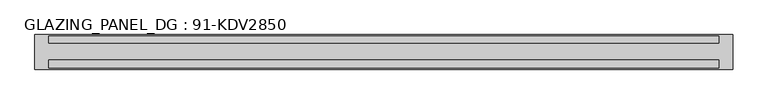
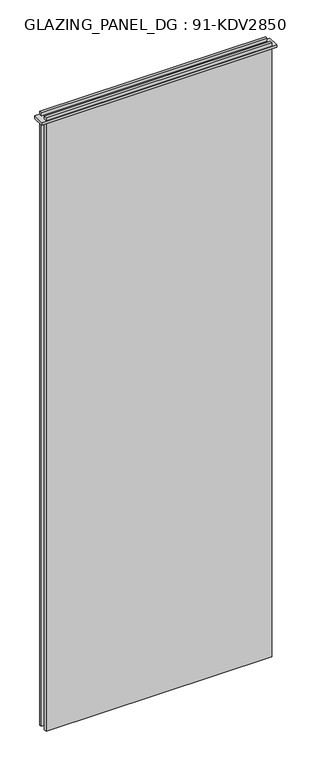
"""IFC4 building model written with IfcOpenShell, lengths in millimetres: plate geometry, GLAZING_PANEL_DG : 91-KDV2850."""

from ifc_helpers import new_model, si_unit, frame, origin, place, context, project, spatial, polyline, outline, extrude, source, transform, mapped, element, save


def glazing_panel_dg_91_kdv2850_931a37af(model_context):
    return source(origin(), model_context, "Body", "SweptSolid", [
        extrude(outline(polyline([(480.0, 23.0), (480.0, 13.0), (-480.0, 13.0), (-480.0, 23.0), (480.0, 23.0)])), frame((0.0, 0.0, -12.0), z_axis=(0.0, 0.0, 1.0), x_axis=(1.0, 0.0, 0.0)), (0.0, 0.0, 1.0), 2760.0),
        extrude(outline(polyline([(480.0, -11.0), (480.0, -23.0), (-480.0, -23.0), (-480.0, -11.0), (480.0, -11.0)])), frame((0.0, 0.0, -12.0), z_axis=(0.0, 0.0, 1.0), x_axis=(1.0, 0.0, 0.0)), (0.0, 0.0, 1.0), 2760.0),
        extrude(outline(polyline([(500.0, -25.0), (-500.0, -25.0), (-500.0, 25.0), (500.0, 25.0), (500.0, -25.0)])), frame((0.0, 0.0, 2722.0), z_axis=(0.0, 0.0, 1.0), x_axis=(1.0, 0.0, 0.0)), (0.0, 0.0, 1.0), 12.0),
    ])


if __name__ == "__main__":
    model = new_model("IFC4")
    model_context = context("Model", 3, world=origin())
    ifc_project = project(units=[si_unit("LENGTHUNIT", "METRE", prefix="MILLI")], contexts=[model_context])
    site = spatial("IfcSite", under=ifc_project)
    building = spatial("IfcBuilding", under=site)
    placement = place(None, origin())
    glazing_panel_dg_91_kdv2850_shape = glazing_panel_dg_91_kdv2850_931a37af(model_context)
    element("IfcPlate", 1, ObjectType="GLAZING_PANEL_DG : 91-KDV2850", at=placement, inside=building, context=model_context, shape_type="MappedRepresentation", body=[
        mapped(glazing_panel_dg_91_kdv2850_shape, transform((0.0, 0.0, 0.0), x_axis=(1.0, 0.0, 0.0), y_axis=(0.0, 1.0, 0.0), z_axis=(0.0, 0.0, 1.0))),
    ])
    save(model, "model.ifc")
